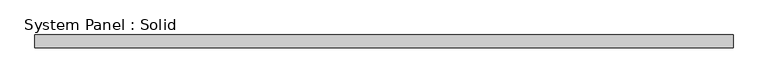
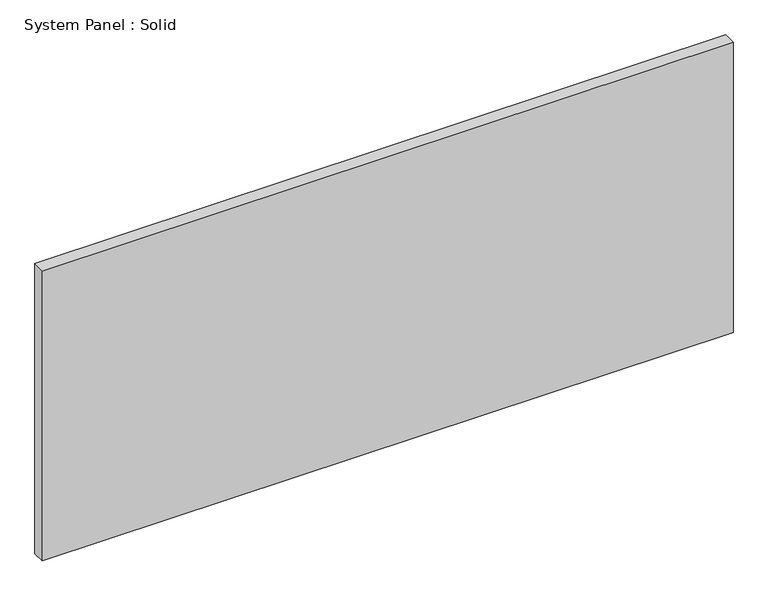
"""IFC4 building model written with IfcOpenShell, lengths in millimetres: plate geometry, System Panel : Solid."""

from ifc_helpers import new_model, si_unit, origin, origin_with_axes, place, context, project, spatial, polyline, outline, extrude, source, transform, mapped, element, save


def system_panel_solid_2954ca18(model_context):
    return source(origin(), model_context, "Body", "SweptSolid", [
        extrude(outline(polyline([(2700.0, 50.0), (-2700.0, 50.0), (-2700.0, 150.0), (2700.0, 150.0), (2700.0, 50.0)])), origin_with_axes(), (0.0, 0.0, 1.0), 2400.0),
    ])


if __name__ == "__main__":
    model = new_model("IFC4")
    model_context = context("Model", 3, world=origin())
    ifc_project = project(units=[si_unit("LENGTHUNIT", "METRE", prefix="MILLI")], contexts=[model_context])
    site = spatial("IfcSite", under=ifc_project)
    building = spatial("IfcBuilding", under=site)
    placement = place(None, origin())
    system_panel_solid_shape = system_panel_solid_2954ca18(model_context)
    element("IfcPlate", 1, ObjectType="System Panel : Solid", at=placement, inside=building, context=model_context, shape_type="MappedRepresentation", body=[
        mapped(system_panel_solid_shape, transform((0.0, 0.0, 0.0), x_axis=(1.0, 0.0, 0.0), y_axis=(0.0, 1.0, 0.0), z_axis=(0.0, 0.0, 1.0))),
    ])
    save(model, "model.ifc")
